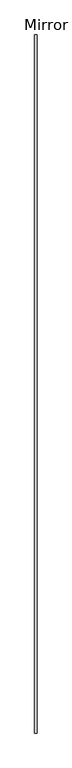
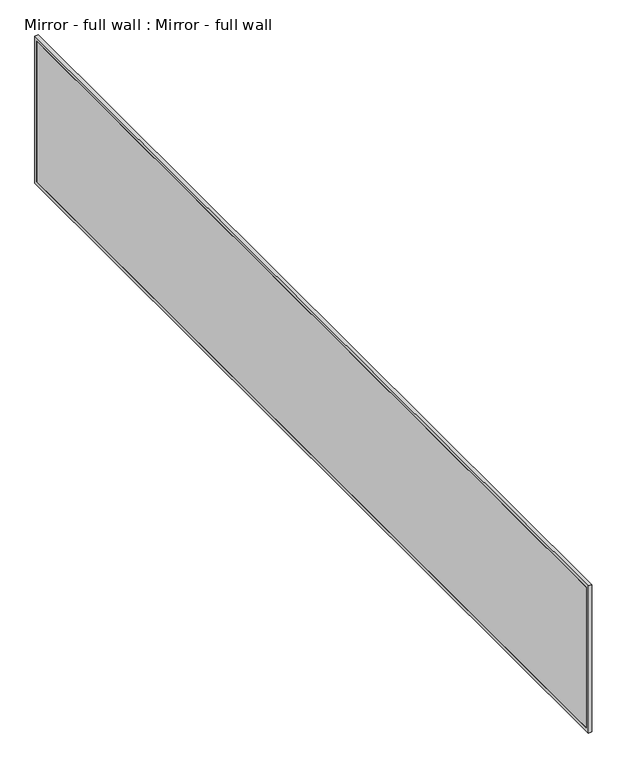
"""IFC4 building model written with IfcOpenShell, lengths in millimetres: proxy geometry, Mirror - full wall : Mirror - full wall."""

from ifc_helpers import new_model, si_unit, frame, origin, place, context, project, spatial, polyline, outline, extrude, source, transform, mapped, element, save


def mirror_full_wall_mirror_full_wall_a054e847(model_context):
    return source(origin(), model_context, "Body", "SweptSolid", [
        extrude(outline(polyline([(452130.9004676, -267245.2863632), (452130.9004676, -274077.2834908), (452118.2004676, -274077.2834908), (452118.2004676, -267245.2863632), (452130.9004676, -267245.2863632)])), frame((0.0, 0.0, 1041.4), z_axis=(0.0, 0.0, 1.0), x_axis=(1.0, 0.0, 0.0)), (0.0, 0.0, 1.0), 1066.8),
        extrude(outline(polyline([(-267219.8863632, 2133.6), (-267219.8863632, 1016.0), (-274103.2863632, 1016.0), (-274103.2863632, 2133.6), (-267219.8863632, 2133.6)]), holes=[polyline([(-267245.2863632, 2108.2), (-274077.2834908, 2108.2), (-274077.2834908, 1041.4), (-267245.2863632, 1041.4), (-267245.2863632, 2108.2)])]), frame((452118.2004676, 0.0, 0.0), z_axis=(1.0, 0.0, 0.0), x_axis=(0.0, 1.0, 0.0)), (0.0, 0.0, 1.0), 25.4),
    ])


if __name__ == "__main__":
    model = new_model("IFC4")
    model_context = context("Model", 3, world=origin())
    ifc_project = project(units=[si_unit("LENGTHUNIT", "METRE", prefix="MILLI")], contexts=[model_context])
    site = spatial("IfcSite", under=ifc_project)
    building = spatial("IfcBuilding", under=site)
    placement = place(None, origin())
    mirror_full_wall_mirror_full_wall_shape = mirror_full_wall_mirror_full_wall_a054e847(model_context)
    element("IfcBuildingElementProxy", 1, Name="Mirror - full wall : Mirror - full wall", ObjectType="Mirror - full wall : Mirror - full wall", at=placement, inside=building, context=model_context, shape_type="MappedRepresentation", body=[
        mapped(mirror_full_wall_mirror_full_wall_shape, transform((0.0, 0.0, 0.0), x_axis=(1.0, 0.0, 0.0), y_axis=(0.0, 1.0, 0.0), z_axis=(0.0, 0.0, 1.0))),
    ])
    save(model, "model.ifc")
